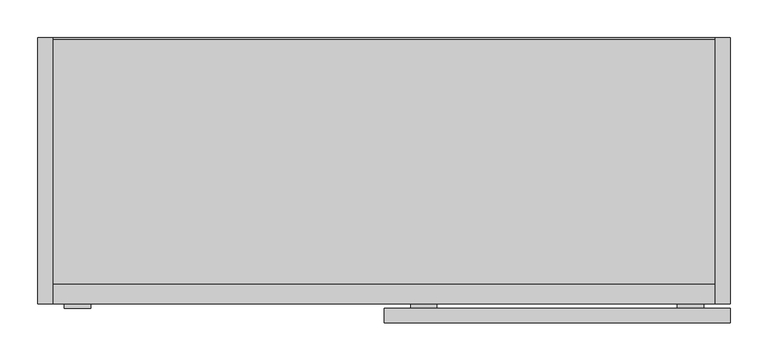
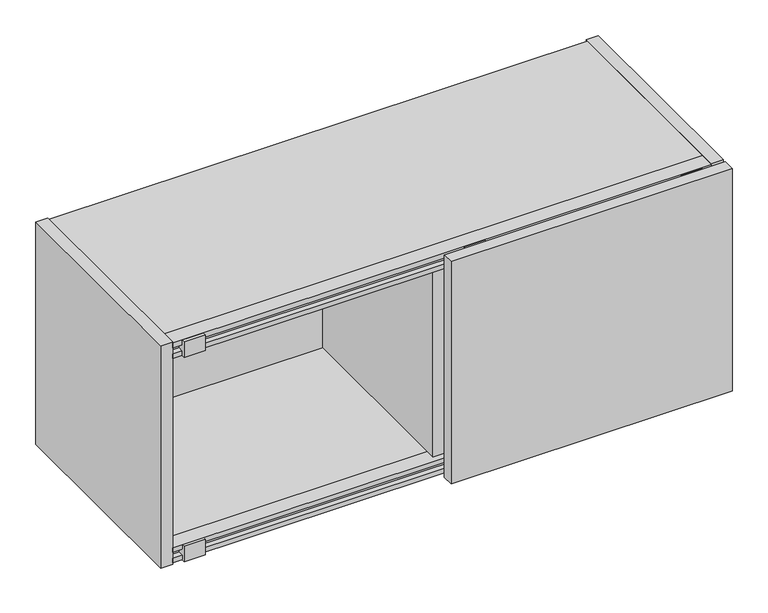
"""IFC4 building model written with IfcOpenShell, lengths in millimetres: furniture geometry."""

from ifc_helpers import new_model, si_unit, frame, origin, place, context, project, spatial, polyline, outline, extrude, faceted_brep, source, transform, mapped, element, save


def furniture_4354df75(model_context):
    return source(origin(), model_context, "Body", "SolidModel", [
        extrude(outline(polyline([(-191.7735724, 1848.04939), (-191.7735724, 1840.11189), (-182.8835724, 1840.11189), (-182.8835724, 1829.79314), (-191.7735724, 1829.79314), (-191.7735724, 1821.85564), (-197.5952524, 1821.85564), (-197.5952524, 1848.04939), (-191.7735724, 1848.04939)])), frame((-422.275, 0.0, 0.0), z_axis=(1.0, 0.0, 0.0), x_axis=(0.0, 1.0, 0.0)), (0.0, 0.0, 1.0), 34.29),
        extrude(outline(polyline([(-191.7735724, 1840.11189), (-191.7735724, 1848.8376008), (-166.4497724, 1848.8376008), (-166.4497724, 1821.85564), (-191.7735724, 1821.85564), (-191.7735724, 1829.79314), (-182.8835724, 1829.79314), (-182.8835724, 1840.11189), (-191.7735724, 1840.11189)])), frame((-437.896, 0.0, 0.0), z_axis=(1.0, 0.0, 0.0), x_axis=(0.0, 1.0, 0.0)), (0.0, 0.0, 1.0), 872.8154375),
        extrude(outline(polyline([(-191.7735724, 1490.06814), (-191.7735724, 1498.00564), (-166.4497724, 1498.00564), (-166.4497724, 1471.81189), (-191.7735724, 1471.81189), (-191.7735724, 1479.74939), (-182.8835724, 1479.74939), (-182.8835724, 1490.06814), (-191.7735724, 1490.06814)])), frame((-437.896, 0.0, 0.0), z_axis=(1.0, 0.0, 0.0), x_axis=(0.0, 1.0, 0.0)), (0.0, 0.0, 1.0), 872.8154375),
        extrude(outline(polyline([(-191.7735724, 1498.00564), (-191.7735724, 1490.06814), (-182.8835724, 1490.06814), (-182.8835724, 1479.74939), (-191.7735724, 1479.74939), (-191.7735724, 1471.81189), (-197.5952524, 1471.81189), (-197.5952524, 1498.00564), (-191.7735724, 1498.00564)])), frame((385.0084375, 0.0, 0.0), z_axis=(1.0, 0.0, 0.0), x_axis=(0.0, 1.0, 0.0)), (0.0, 0.0, 1.0), 34.29),
        extrude(outline(polyline([(-191.7735724, 1498.00564), (-191.7735724, 1490.06814), (-182.8835724, 1490.06814), (-182.8835724, 1479.74939), (-191.7735724, 1479.74939), (-191.7735724, 1471.81189), (-197.5952524, 1471.81189), (-197.5952524, 1498.00564), (-191.7735724, 1498.00564)])), frame((33.5232375, 0.0, 0.0), z_axis=(1.0, 0.0, 0.0), x_axis=(0.0, 1.0, 0.0)), (0.0, 0.0, 1.0), 34.29),
        extrude(outline(polyline([(-191.7735724, 1848.04939), (-191.7735724, 1840.11189), (-182.8835724, 1840.11189), (-182.8835724, 1829.79314), (-191.7735724, 1829.79314), (-191.7735724, 1821.85564), (-197.5952524, 1821.85564), (-197.5952524, 1848.04939), (-191.7735724, 1848.04939)])), frame((385.0084375, 0.0, 0.0), z_axis=(1.0, 0.0, 0.0), x_axis=(0.0, 1.0, 0.0)), (0.0, 0.0, 1.0), 34.29),
        extrude(outline(polyline([(-191.7735724, 1848.04939), (-191.7735724, 1840.11189), (-182.8835724, 1840.11189), (-182.8835724, 1829.79314), (-191.7735724, 1829.79314), (-191.7735724, 1821.85564), (-197.5952524, 1821.85564), (-197.5952524, 1848.04939), (-191.7735724, 1848.04939)])), frame((33.5232375, 0.0, 0.0), z_axis=(1.0, 0.0, 0.0), x_axis=(0.0, 1.0, 0.0)), (0.0, 0.0, 1.0), 34.29),
        extrude(outline(polyline([(-191.7735724, 1498.00564), (-191.7735724, 1490.06814), (-182.8835724, 1490.06814), (-182.8835724, 1479.74939), (-191.7735724, 1479.74939), (-191.7735724, 1471.81189), (-197.5952524, 1471.81189), (-197.5952524, 1498.00564), (-191.7735724, 1498.00564)])), frame((-422.275, 0.0, 0.0), z_axis=(1.0, 0.0, 0.0), x_axis=(0.0, 1.0, 0.0)), (0.0, 0.0, 1.0), 34.29),
        faceted_brep([(-437.896, 158.8226276, 1850.43064), (-457.2, 158.8226276, 1850.43064), (-457.2, -191.7735724, 1850.43064), (-437.896, -191.7735724, 1850.43064), (434.9194375, -191.7735724, 1850.43064), (454.2234375, -191.7735724, 1850.43064), (454.2234375, 158.8226276, 1850.43064), (434.9194375, 158.8226276, 1850.43064), (-437.896, 158.8226276, 1469.43064), (-437.896, -191.7735724, 1469.43064), (-457.2, -191.7735724, 1469.43064), (-457.2, 158.8226276, 1469.43064), (434.9194375, -191.7735724, 1469.43064), (434.9194375, 158.8226276, 1469.43064), (454.2234375, 158.8226276, 1469.43064), (454.2234375, -191.7735724, 1469.43064), (-437.896, -166.4497724, 1848.8376008), (-437.896, 156.4413776, 1848.8376008), (-437.896, 156.4413776, 1821.85564), (-437.896, -166.4497724, 1821.85564), (-437.896, -166.4497724, 1498.00564), (-437.896, 141.3356367, 1498.00564), (-437.896, 141.3356367, 1471.81189), (-437.896, -166.4497724, 1471.81189), (434.9194375, 156.4413776, 1848.8376008), (434.9194375, -166.4497724, 1848.8376008), (434.9194375, -166.4497724, 1821.85564), (434.9194375, 156.4413776, 1821.85564), (434.9194375, 141.3356367, 1498.00564), (434.9194375, -166.4497724, 1498.00564), (434.9194375, -166.4497724, 1471.81189), (434.9194375, 141.3356367, 1471.81189)], [[[0, 1, 2, 3]], [[4, 5, 6, 7]], [[8, 9, 10, 11]], [[12, 13, 14, 15]], [[1, 0, 8, 11]], [[2, 1, 11, 10]], [[3, 2, 10, 9]], [[0, 3, 9, 8], [16, 17, 18, 19], [20, 21, 22, 23]], [[4, 7, 13, 12], [24, 25, 26, 27], [28, 29, 30, 31]], [[5, 4, 12, 15]], [[6, 5, 15, 14]], [[7, 6, 14, 13]], [[16, 25, 24, 17]], [[17, 24, 27, 18]], [[18, 27, 26, 19]], [[20, 29, 28, 21]], [[21, 28, 31, 22]], [[22, 31, 30, 23]], [[25, 16, 19, 26]], [[29, 20, 23, 30]]]),
        extrude(outline(polyline([(145.5282676, 1751.24364), (145.5282676, 1821.85564), (158.8226276, 1821.85564), (158.8226276, 1739.94064), (145.5282676, 1751.24364)])), frame((-437.896, 0.0, 0.0), z_axis=(1.0, 0.0, 0.0), x_axis=(0.0, 1.0, 0.0)), (0.0, 0.0, 1.0), 872.8154375),
        extrude(outline(polyline([(8.1637187, -182.8835724), (-11.1402813, -182.8835724), (-11.1402813, 126.2242676), (8.1637187, 126.2242676), (8.1637187, -182.8835724)])), frame((0.0, 0.0, 1498.00564), z_axis=(0.0, 0.0, 1.0), x_axis=(1.0, 0.0, 0.0)), (0.0, 0.0, 1.0), 323.85),
        extrude(outline(polyline([(-1.4017625, -216.8992524), (-1.4017625, -197.5952524), (454.2234375, -197.5952524), (454.2234375, -216.8992524), (-1.4017625, -216.8992524)])), frame((0.0, 0.0, 1469.43064), z_axis=(0.0, 0.0, 1.0), x_axis=(1.0, 0.0, 0.0)), (0.0, 0.0, 1.0), 381.0),
        extrude(outline(polyline([(434.9194375, 145.5282676), (434.9194375, 126.2242676), (-437.896, 126.2242676), (-437.896, 145.5282676), (434.9194375, 145.5282676)])), frame((0.0, 0.0, 1498.00564), z_axis=(0.0, 0.0, 1.0), x_axis=(1.0, 0.0, 0.0)), (0.0, 0.0, 1.0), 323.85),
    ])


if __name__ == "__main__":
    model = new_model("IFC4")
    model_context = context("Model", 3, world=origin())
    ifc_project = project(units=[si_unit("LENGTHUNIT", "METRE", prefix="MILLI")], contexts=[model_context])
    site = spatial("IfcSite", under=ifc_project)
    building = spatial("IfcBuilding", under=site)
    placement = place(None, origin())
    furniture_shape = furniture_4354df75(model_context)
    element("IfcFurniture", 1, at=placement, inside=building, context=model_context, shape_type="MappedRepresentation", body=[
        mapped(furniture_shape, transform((0.0, 0.0, 0.0), x_axis=(1.0, 0.0, 0.0), y_axis=(0.0, 1.0, 0.0), z_axis=(0.0, 0.0, 1.0))),
    ])
    save(model, "model.ifc")
